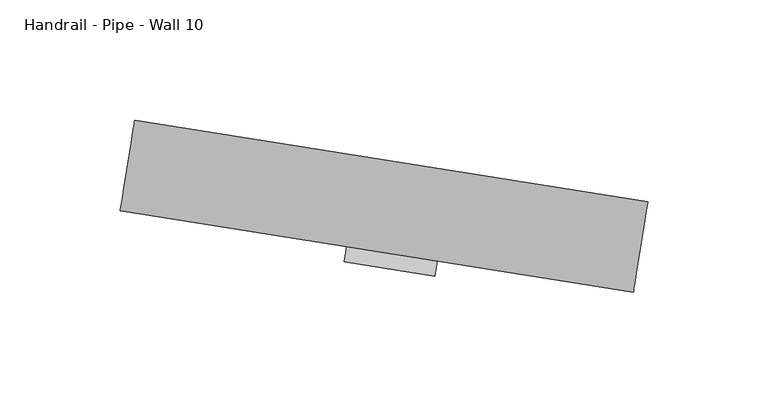
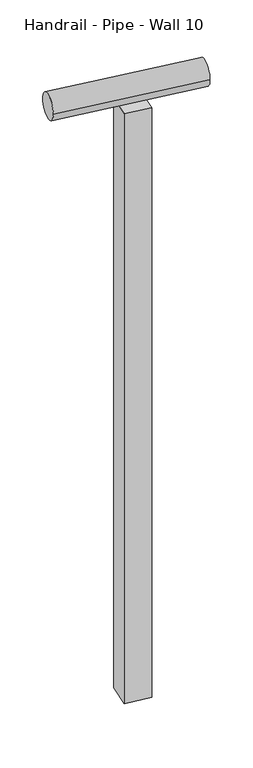
"""IFC4 building model written with IfcOpenShell, lengths in millimetres: railing geometry, Handrail - Pipe - Wall 10."""

from ifc_helpers import new_model, si_unit, point, frame, frame_2d, origin, place, context, project, spatial, polyline, circle_curve, trimmed, segment, composite_curve, outline, extrude, source, transform, mapped, element, save


def handrail_pipe_wall_10_8c69b684(model_context):
    return source(origin(), model_context, "Body", "SweptSolid", [
        extrude(outline(composite_curve([segment(trimmed(circle_curve(frame_2d((0.0, 19.05)), 19.05), [point((19.05, 19.05))], [point((-19.05, 19.05))], False, "CARTESIAN"), True, "CONTINUOUS"), segment(trimmed(circle_curve(frame_2d((0.0, 19.05)), 19.05), [point((-19.05, 19.05))], [point((19.05, 19.05))], False, "CARTESIAN"), True, "CONTINUOUS")], self_intersect=False)), frame((-15266.3166382, 18658.8759079, -10188.575), z_axis=(-0.9876883405951373, 0.15643446504023306, 0.0), x_axis=(0.15643446504023306, 0.9876883405951373, 0.0)), (0.0, 0.0, 1.0), 215.9),
        extrude(outline(polyline([(-15389.4546719, 18652.6624422), (-15383.4945188, 18690.293368), (-15345.863593, 18684.3332149), (-15351.8237462, 18646.7022891), (-15389.4546719, 18652.6624422)])), frame((0.0, 0.0, -11153.775), z_axis=(0.0, 0.0, 1.0), x_axis=(1.0, 0.0, 0.0)), (0.0, 0.0, 1.0), 927.1),
    ])


if __name__ == "__main__":
    model = new_model("IFC4")
    model_context = context("Model", 3, world=origin())
    ifc_project = project(units=[si_unit("LENGTHUNIT", "METRE", prefix="MILLI")], contexts=[model_context])
    site = spatial("IfcSite", under=ifc_project)
    building = spatial("IfcBuilding", under=site)
    placement = place(None, origin())
    handrail_pipe_wall_10_shape = handrail_pipe_wall_10_8c69b684(model_context)
    element("IfcRailing", 1, ObjectType="Handrail - Pipe - Wall 10", at=placement, inside=building, context=model_context, shape_type="MappedRepresentation", body=[
        mapped(handrail_pipe_wall_10_shape, transform((0.0, 0.0, 0.0), x_axis=(1.0, 0.0, 0.0), y_axis=(0.0, 1.0, 0.0), z_axis=(0.0, 0.0, 1.0))),
    ])
    save(model, "model.ifc")
